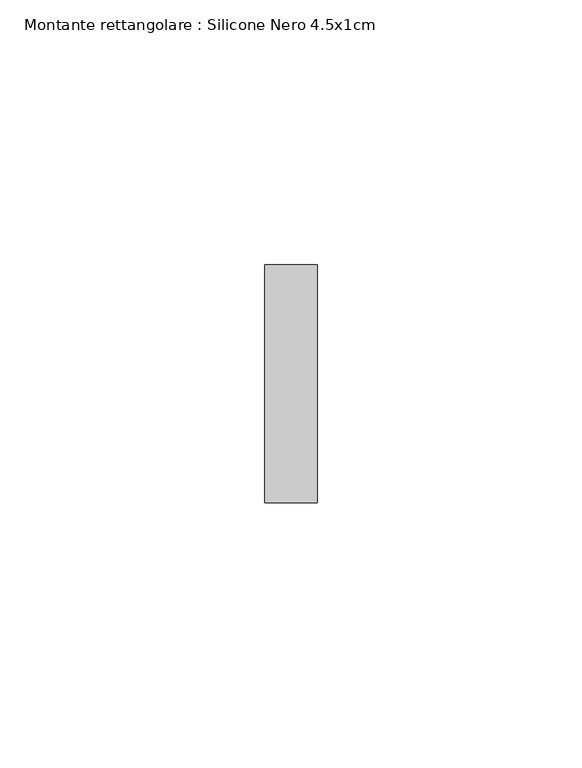
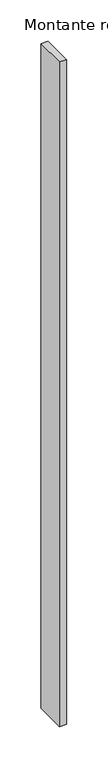
"""IFC4 building model written with IfcOpenShell, lengths in millimetres: member geometry, Montante rettangolare : Silicone Nero 4.5x1cm."""

import ifcopenshell
import ifcopenshell.guid

model = None  # the IFC model being written
_history = None  # IfcOwnerHistory: only IFC2X3 demands one
_inside = {}  # id of a spatial element -> (the spatial element, [elements in it])
_under = {}  # id of a project, library or spatial element -> (it, [spatial elements below it])
_declared = {}  # id of a project -> (the project, [libraries it declares])
_typed = {}  # id of a type object -> (the type object, [elements of that type])
_made_of = {}  # id of a material, layer set ... -> (it, [elements and type objects made of it])


def new_model(schema):
    """Start an empty IFC model of exactly this schema.

    Asked for "IFC4X3", IfcOpenShell would pick the latest addendum, in which some entities
    have other attributes; the version numbers below select the first issue.
    IFC2X3 requires an IfcOwnerHistory on every rooted entity: one is made here for all.
    """
    global model, _history
    if schema == "IFC4X3":
        model = ifcopenshell.file(schema_version=(4, 3, 0, 0))
    else:
        model = ifcopenshell.file(schema=schema)
    _inside.clear()
    _under.clear()
    _declared.clear()
    _typed.clear()
    _made_of.clear()
    _history = None
    if model.schema == "IFC2X3":
        org = make("IfcOrganization", Name="unknown")
        user = make(
            "IfcPersonAndOrganization",
            ThePerson=make("IfcPerson", FamilyName="unknown"),
            TheOrganization=org,
        )
        app = make(
            "IfcApplication",
            ApplicationDeveloper=org,
            Version="unknown",
            ApplicationFullName="unknown",
            ApplicationIdentifier="unknown",
        )
        _history = make(
            "IfcOwnerHistory",
            OwningUser=user,
            OwningApplication=app,
            ChangeAction="ADDED",
            CreationDate=0,
        )
    return model


def make(cls, **values):
    """One entity of the class cls with the attributes given. An attribute that is None is left unset."""
    return model.create_entity(
        cls, **{name: value for name, value in values.items() if value is not None}
    )


def rooted(cls, **values):
    """An entity with a GlobalId (a new one), such as an element, a storey or a relation."""
    return make(cls, GlobalId=ifcopenshell.guid.new(), OwnerHistory=_history, **values)


def si_unit(unit_type, name, prefix=None):
    """IfcSIUnit, for example si_unit("LENGTHUNIT", "METRE", prefix="MILLI")."""
    return make("IfcSIUnit", UnitType=unit_type, Prefix=prefix, Name=name)


def assignment(units):
    """IfcUnitAssignment: the units of a project."""
    return None if units is None else make("IfcUnitAssignment", Units=units)


def point(xyz):
    """IfcCartesianPoint."""
    return None if xyz is None else make("IfcCartesianPoint", Coordinates=xyz)


def direction(xyz):
    """IfcDirection."""
    return None if xyz is None else make("IfcDirection", DirectionRatios=xyz)


def frame(location, z_axis=None, x_axis=None):
    """IfcAxis2Placement3D, a coordinate frame: its origin and axes. An axis left out is left unset."""
    return make(
        "IfcAxis2Placement3D",
        Location=point(location),
        Axis=direction(z_axis),
        RefDirection=direction(x_axis),
    )


def origin():
    """The frame at (0, 0, 0) with its axes left unset."""
    return frame((0.0, 0.0, 0.0))


def place(relative_to, where):
    """IfcLocalPlacement: puts the frame where relative to a parent placement (None: the world)."""
    return make(
        "IfcLocalPlacement", PlacementRelTo=relative_to, RelativePlacement=where
    )


def context(
    kind, dimensions, precision=None, world=None, true_north=None, identifier=None
):
    """IfcGeometricRepresentationContext, for example the 3D "Model" context."""
    return make(
        "IfcGeometricRepresentationContext",
        ContextIdentifier=identifier,
        ContextType=kind,
        CoordinateSpaceDimension=dimensions,
        Precision=precision,
        WorldCoordinateSystem=world,
        TrueNorth=true_north,
    )


def project(units=None, contexts=None):
    """IfcProject with its units and contexts."""
    return rooted(
        "IfcProject",
        Name="project",
        RepresentationContexts=contexts,
        UnitsInContext=assignment(units),
    )


def spatial(cls, under=None, at=None, **own):
    """A site, building, storey or space (cls), placed at a placement, below another one or the project."""
    s = rooted(cls, ObjectPlacement=at, **own)
    if under is not None:
        _under.setdefault(under.id(), (under, []))[1].append(s)
    return s


def polyline(points):
    """IfcPolyline through the points."""
    return make("IfcPolyline", Points=[point(p) for p in points])


def outline(outer, holes=None, kind="AREA"):
    """IfcArbitraryClosedProfileDef: a profile drawn as a closed curve; with holes, ...WithVoids."""
    if holes is None:
        return make("IfcArbitraryClosedProfileDef", ProfileType=kind, OuterCurve=outer)
    return make(
        "IfcArbitraryProfileDefWithVoids",
        ProfileType=kind,
        OuterCurve=outer,
        InnerCurves=holes,
    )


def extrude(swept, where, along, depth):
    """IfcExtrudedAreaSolid: the profile swept, set in the frame where, extruded along a direction by depth."""
    return make(
        "IfcExtrudedAreaSolid",
        SweptArea=swept,
        Position=where,
        ExtrudedDirection=direction(along),
        Depth=depth,
    )


def shape(context_of_items, identifier, shape_type, items):
    """IfcShapeRepresentation: the items that make up one representation, for example the "Body"."""
    return make(
        "IfcShapeRepresentation",
        ContextOfItems=context_of_items,
        RepresentationIdentifier=identifier,
        RepresentationType=shape_type,
        Items=items,
    )


def source(mapping_origin, context_of_items, identifier, shape_type, items):
    """IfcRepresentationMap: a shape defined once, which mapped items show again and again."""
    return make(
        "IfcRepresentationMap",
        MappingOrigin=mapping_origin,
        MappedRepresentation=shape(context_of_items, identifier, shape_type, items),
    )


def transform(
    local_origin,
    x_axis=None,
    y_axis=None,
    z_axis=None,
    scale=None,
    scale2=None,
    scale3=None,
    uniform=True,
):
    """IfcCartesianTransformationOperator3D, or its non-uniform kind. x_axis, y_axis, z_axis: its Axis1, 2, 3."""
    if uniform:
        return make(
            "IfcCartesianTransformationOperator3D",
            Axis1=direction(x_axis),
            Axis2=direction(y_axis),
            LocalOrigin=point(local_origin),
            Scale=scale,
            Axis3=direction(z_axis),
        )
    return make(
        "IfcCartesianTransformationOperator3DnonUniform",
        Axis1=direction(x_axis),
        Axis2=direction(y_axis),
        LocalOrigin=point(local_origin),
        Scale=scale,
        Axis3=direction(z_axis),
        Scale2=scale2,
        Scale3=scale3,
    )


def mapped(mapping_source, mapping_target):
    """IfcMappedItem: shows the shape of a source again, moved by a transform."""
    return make(
        "IfcMappedItem", MappingSource=mapping_source, MappingTarget=mapping_target
    )


def made_of(thing, what):
    """Note that an element or type object is made of a material, layer set ...; save() writes the relation."""
    if what is not None:
        _made_of.setdefault(what.id(), (what, []))[1].append(thing)
    return thing


def element(
    cls,
    number,
    at=None,
    inside=None,
    cuts=None,
    type_object=None,
    material=None,
    context=None,
    identifier="Body",
    shape_type=None,
    held_by="IfcProductDefinitionShape",
    body=None,
    shapes=None,
    **own,
):
    """One element of the class cls, such as IfcWall. Its Tag is "e" and its number.

    at: its placement. inside: the storey or other place that contains it. cuts: it is an
    opening in that element (IfcRelVoidsElement). A single representation is given by context,
    identifier, shape_type and body (its items); several are given by shapes. held_by: the class
    of the entity that holds the representations. save() writes the other relations.
    """
    e = rooted(cls, Tag="e%d" % number, ObjectPlacement=at, **own)
    if body is not None:
        shapes = [shape(context, identifier, shape_type, body)]
    if shapes is not None:
        e.Representation = make(held_by, Representations=shapes)
    if inside is not None:
        _inside.setdefault(inside.id(), (inside, []))[1].append(e)
    if cuts is not None:
        rooted(
            "IfcRelVoidsElement", RelatingBuildingElement=cuts, RelatedOpeningElement=e
        )
    if type_object is not None:
        _typed.setdefault(type_object.id(), (type_object, []))[1].append(e)
    return made_of(e, material)


def aggregate(whole, parts):
    """IfcRelAggregates: a whole, such as a stair, and the parts it consists of."""
    return rooted("IfcRelAggregates", RelatingObject=whole, RelatedObjects=parts)


def save(model, path):
    """Write the relations noted so far, then the file.

    IfcRelAggregates (storeys below a building ...), IfcRelContainedInSpatialStructure (elements
    in a storey), IfcRelDefinesByType, IfcRelAssociatesMaterial and IfcRelDeclares: one each for
    every whole, place, type object, material and project.
    """
    for whole, parts in _under.values():
        aggregate(whole, parts)
    for where, things in _inside.values():
        rooted(
            "IfcRelContainedInSpatialStructure",
            RelatedElements=things,
            RelatingStructure=where,
        )
    for kind, things in _typed.values():
        rooted("IfcRelDefinesByType", RelatedObjects=things, RelatingType=kind)
    for what, things in _made_of.values():
        rooted("IfcRelAssociatesMaterial", RelatedObjects=things, RelatingMaterial=what)
    for by, libraries in _declared.values():
        rooted("IfcRelDeclares", RelatingContext=by, RelatedDefinitions=libraries)
    model.write(path)


def montante_rettangolare_silicone_nero_4_5x1cm_9e4dffa3(model_context):
    return source(origin(), model_context, "Body", "SweptSolid", [
        extrude(outline(polyline([(0.0, 45.0), (0.0, 0.0), (-10.0, 0.0), (-10.0, 45.0), (0.0, 45.0)])), frame((0.0, 0.0, -985.0), z_axis=(0.0, 0.0, 1.0), x_axis=(1.0, 0.0, 0.0)), (0.0, 0.0, 1.0), 985.0),
    ])


if __name__ == "__main__":
    model = new_model("IFC4")
    model_context = context("Model", 3, world=origin())
    ifc_project = project(units=[si_unit("LENGTHUNIT", "METRE", prefix="MILLI")], contexts=[model_context])
    site = spatial("IfcSite", under=ifc_project)
    building = spatial("IfcBuilding", under=site)
    placement = place(None, origin())
    montante_rettangolare_silicone_nero_4_5x1cm_shape = montante_rettangolare_silicone_nero_4_5x1cm_9e4dffa3(model_context)
    element("IfcMember", 1, ObjectType="Montante rettangolare : Silicone Nero 4.5x1cm", at=placement, inside=building, context=model_context, shape_type="MappedRepresentation", body=[
        mapped(montante_rettangolare_silicone_nero_4_5x1cm_shape, transform((0.0, 0.0, 0.0), x_axis=(1.0, 0.0, 0.0), y_axis=(0.0, 1.0, 0.0), z_axis=(0.0, 0.0, 1.0))),
    ])
    save(model, "model.ifc")
